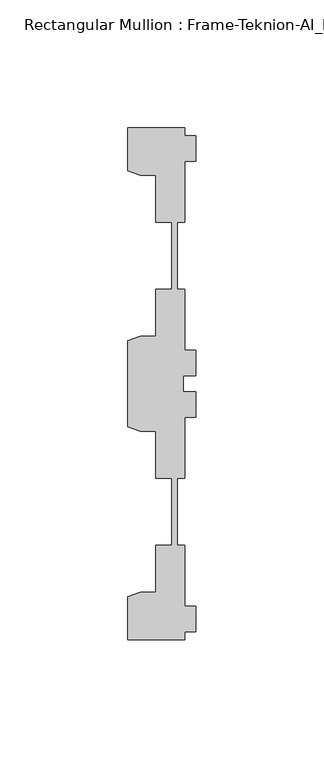
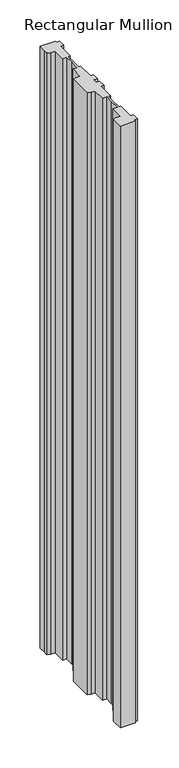
"""IFC4 building model written with IfcOpenShell, lengths in millimetres: member geometry, Rectangular Mullion : Frame-Teknion-AI_Healthcare-Ceiling_Double_Channel."""

from ifc_helpers import new_model, si_unit, frame, origin, place, context, project, spatial, polyline, outline, extrude, source, transform, mapped, element, save


def rectangular_mullion_frame_teknion_ai_healthcare_ceiling_63ebe771(model_context):
    return source(origin(), model_context, "Body", "SweptSolid", [
        extrude(outline(polyline([(-4.2672007, -100.0110586), (-26.4921999, -100.0110586), (-26.4921999, -83.20115), (-21.6625199, -81.4690854), (-15.6737764, -81.4690854), (-15.6737764, -63.0920594), (-9.4507761, -63.0920594), (-9.4507761, -47.8659877), (-9.4507761, -36.9300571), (-15.6737764, -36.9300571), (-15.6737764, -18.5530311), (-21.6357055, -18.5530311), (-26.4921999, -16.8113452), (-26.4921999, 16.8113452), (-21.6625199, 18.5434146), (-15.6737764, 18.5434146), (-15.6737764, 36.9204406), (-9.4507761, 36.9204406), (-9.4507761, 50.8315128), (-9.4507761, 63.0824429), (-15.6737764, 63.0824429), (-15.6737764, 81.4594689), (-21.6625199, 81.4594689), (-26.4921999, 83.1915336), (-26.4921999, 90.2224424), (-26.4921999, 100.0014421), (-4.2672007, 100.0014421), (-4.2672007, 96.9534451), (0.0, 96.9534451), (0.0, 86.9534377), (-4.2672007, 86.9534377), (-4.2672007, 63.0824429), (-7.1647766, 63.0824429), (-7.1647766, 50.7500324), (-7.1647766, 36.9204406), (-4.2672007, 36.9204406), (-4.2672007, 13.0494413), (0.0, 13.0494413), (0.0, 3.0494419), (-4.7752002, 3.0494419), (-4.7752002, 0.0), (-4.7752002, -3.0494419), (0.0, -3.0494419), (0.0, -13.0494413), (-4.2672007, -13.0494413), (-4.2672007, -36.9204406), (-7.1647766, -36.9204406), (-7.1647766, -48.9859882), (-7.1647766, -63.0824429), (-4.2672007, -63.0824429), (-4.2672007, -86.9534377), (0.0, -86.9534377), (0.0, -96.9534451), (-4.2672007, -96.9534451), (-4.2672007, -100.0110586)])), frame((0.0, 0.0, -914.4), z_axis=(0.0, 0.0, 1.0), x_axis=(1.0, 0.0, 0.0)), (0.0, 0.0, 1.0), 914.4),
    ])


if __name__ == "__main__":
    model = new_model("IFC4")
    model_context = context("Model", 3, world=origin())
    ifc_project = project(units=[si_unit("LENGTHUNIT", "METRE", prefix="MILLI")], contexts=[model_context])
    site = spatial("IfcSite", under=ifc_project)
    building = spatial("IfcBuilding", under=site)
    placement = place(None, origin())
    rectangular_mullion_frame_teknion_ai_healthcare_ceiling_shape = rectangular_mullion_frame_teknion_ai_healthcare_ceiling_63ebe771(model_context)
    element("IfcMember", 1, ObjectType="Rectangular Mullion : Frame-Teknion-AI_Healthcare-Ceiling_Double_Channel", at=placement, inside=building, context=model_context, shape_type="MappedRepresentation", body=[
        mapped(rectangular_mullion_frame_teknion_ai_healthcare_ceiling_shape, transform((0.0, 0.0, 0.0), x_axis=(1.0, 0.0, 0.0), y_axis=(0.0, 1.0, 0.0), z_axis=(0.0, 0.0, 1.0))),
    ])
    save(model, "model.ifc")
